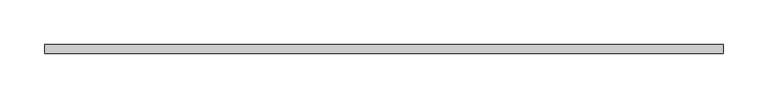
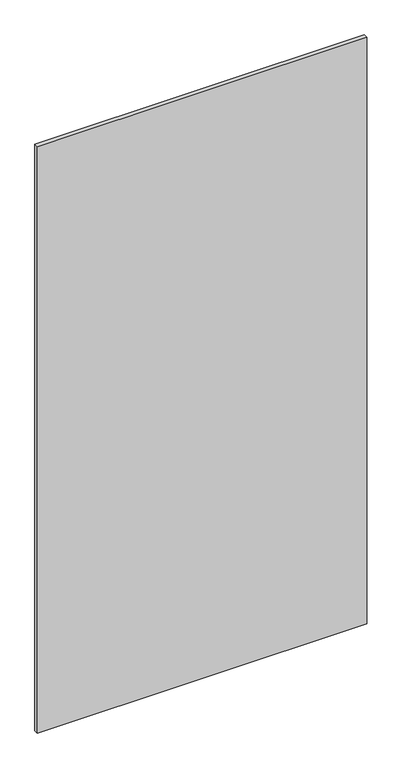
"""IFC4 building model written with IfcOpenShell, lengths in millimetres: plate geometry."""

from ifc_helpers import new_model, si_unit, origin, origin_with_axes, place, context, project, spatial, polyline, outline, extrude, source, transform, mapped, element, save


def plate_d9f6aecc(model_context):
    return source(origin(), model_context, "Body", "SweptSolid", [
        extrude(outline(polyline([(380.0, -5.0), (-380.0, -5.0), (-380.0, 5.0), (380.0, 5.0), (380.0, -5.0)])), origin_with_axes(), (0.0, 0.0, 1.0), 1430.0),
    ])


if __name__ == "__main__":
    model = new_model("IFC4")
    model_context = context("Model", 3, world=origin())
    ifc_project = project(units=[si_unit("LENGTHUNIT", "METRE", prefix="MILLI")], contexts=[model_context])
    site = spatial("IfcSite", under=ifc_project)
    building = spatial("IfcBuilding", under=site)
    placement = place(None, origin())
    plate_shape = plate_d9f6aecc(model_context)
    element("IfcPlate", 1, at=placement, inside=building, context=model_context, shape_type="MappedRepresentation", body=[
        mapped(plate_shape, transform((0.0, 0.0, 0.0), x_axis=(1.0, 0.0, 0.0), y_axis=(0.0, 1.0, 0.0), z_axis=(0.0, 0.0, 1.0))),
    ])
    save(model, "model.ifc")
